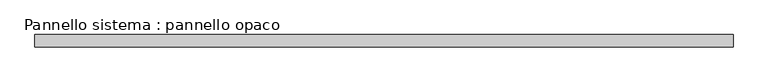
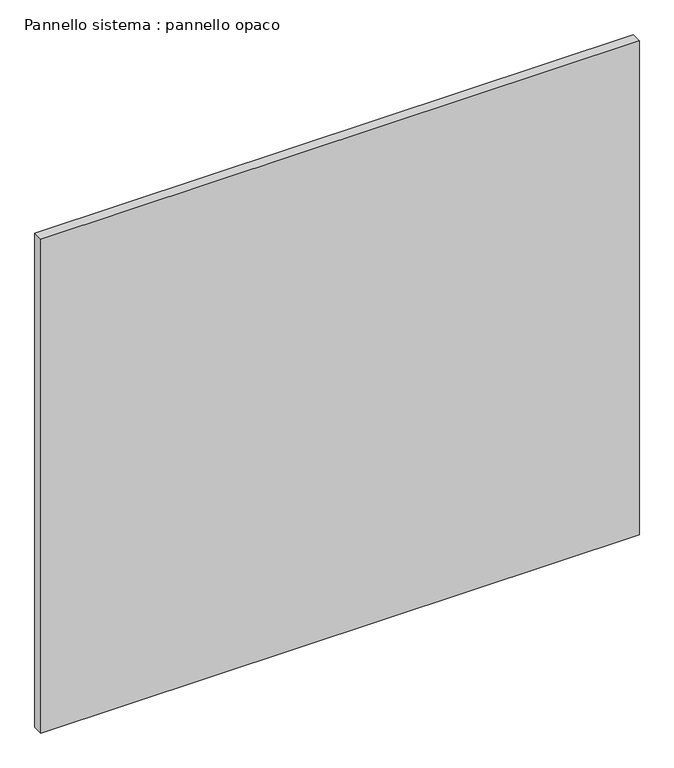
"""IFC4 building model written with IfcOpenShell, lengths in millimetres: plate geometry, Pannello sistema : pannello opaco."""

from ifc_helpers import new_model, si_unit, origin, origin_with_axes, place, context, project, spatial, polyline, outline, extrude, source, transform, mapped, element, save


def pannello_sistema_pannello_opaco_23fe67c1(model_context):
    return source(origin(), model_context, "Body", "SweptSolid", [
        extrude(outline(polyline([(862.5000002, -15.0), (-862.5000002, -15.0), (-862.5000002, 15.0), (862.5000002, 15.0), (862.5000002, -15.0)])), origin_with_axes(), (0.0, 0.0, 1.0), 1505.0),
    ])


if __name__ == "__main__":
    model = new_model("IFC4")
    model_context = context("Model", 3, world=origin())
    ifc_project = project(units=[si_unit("LENGTHUNIT", "METRE", prefix="MILLI")], contexts=[model_context])
    site = spatial("IfcSite", under=ifc_project)
    building = spatial("IfcBuilding", under=site)
    placement = place(None, origin())
    pannello_sistema_pannello_opaco_shape = pannello_sistema_pannello_opaco_23fe67c1(model_context)
    element("IfcPlate", 1, ObjectType="Pannello sistema : pannello opaco", at=placement, inside=building, context=model_context, shape_type="MappedRepresentation", body=[
        mapped(pannello_sistema_pannello_opaco_shape, transform((0.0, 0.0, 0.0), x_axis=(1.0, 0.0, 0.0), y_axis=(0.0, 1.0, 0.0), z_axis=(0.0, 0.0, 1.0))),
    ])
    save(model, "model.ifc")
